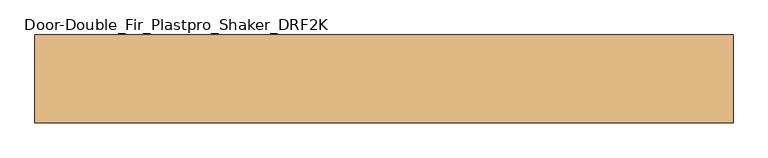
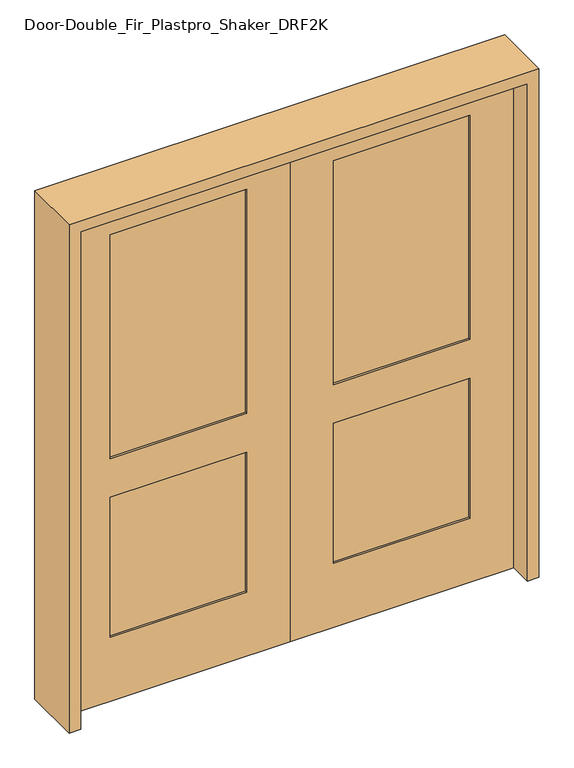
"""IFC4 building model written with IfcOpenShell, lengths in millimetres: door geometry, Door-Double_Fir_Plastpro_Shaker_DRF2K."""

import ifcopenshell
import ifcopenshell.guid

model = None  # the IFC model being written
_history = None  # IfcOwnerHistory: only IFC2X3 demands one
_inside = {}  # id of a spatial element -> (the spatial element, [elements in it])
_under = {}  # id of a project, library or spatial element -> (it, [spatial elements below it])
_declared = {}  # id of a project -> (the project, [libraries it declares])
_typed = {}  # id of a type object -> (the type object, [elements of that type])
_made_of = {}  # id of a material, layer set ... -> (it, [elements and type objects made of it])


def new_model(schema):
    """Start an empty IFC model of exactly this schema.

    Asked for "IFC4X3", IfcOpenShell would pick the latest addendum, in which some entities
    have other attributes; the version numbers below select the first issue.
    IFC2X3 requires an IfcOwnerHistory on every rooted entity: one is made here for all.
    """
    global model, _history
    if schema == "IFC4X3":
        model = ifcopenshell.file(schema_version=(4, 3, 0, 0))
    else:
        model = ifcopenshell.file(schema=schema)
    _inside.clear()
    _under.clear()
    _declared.clear()
    _typed.clear()
    _made_of.clear()
    _history = None
    if model.schema == "IFC2X3":
        org = make("IfcOrganization", Name="unknown")
        user = make(
            "IfcPersonAndOrganization",
            ThePerson=make("IfcPerson", FamilyName="unknown"),
            TheOrganization=org,
        )
        app = make(
            "IfcApplication",
            ApplicationDeveloper=org,
            Version="unknown",
            ApplicationFullName="unknown",
            ApplicationIdentifier="unknown",
        )
        _history = make(
            "IfcOwnerHistory",
            OwningUser=user,
            OwningApplication=app,
            ChangeAction="ADDED",
            CreationDate=0,
        )
    return model


def make(cls, **values):
    """One entity of the class cls with the attributes given. An attribute that is None is left unset."""
    return model.create_entity(
        cls, **{name: value for name, value in values.items() if value is not None}
    )


def rooted(cls, **values):
    """An entity with a GlobalId (a new one), such as an element, a storey or a relation."""
    return make(cls, GlobalId=ifcopenshell.guid.new(), OwnerHistory=_history, **values)


def si_unit(unit_type, name, prefix=None):
    """IfcSIUnit, for example si_unit("LENGTHUNIT", "METRE", prefix="MILLI")."""
    return make("IfcSIUnit", UnitType=unit_type, Prefix=prefix, Name=name)


def assignment(units):
    """IfcUnitAssignment: the units of a project."""
    return None if units is None else make("IfcUnitAssignment", Units=units)


def point(xyz):
    """IfcCartesianPoint."""
    return None if xyz is None else make("IfcCartesianPoint", Coordinates=xyz)


def direction(xyz):
    """IfcDirection."""
    return None if xyz is None else make("IfcDirection", DirectionRatios=xyz)


def frame(location, z_axis=None, x_axis=None):
    """IfcAxis2Placement3D, a coordinate frame: its origin and axes. An axis left out is left unset."""
    return make(
        "IfcAxis2Placement3D",
        Location=point(location),
        Axis=direction(z_axis),
        RefDirection=direction(x_axis),
    )


def origin():
    """The frame at (0, 0, 0) with its axes left unset."""
    return frame((0.0, 0.0, 0.0))


def place(relative_to, where):
    """IfcLocalPlacement: puts the frame where relative to a parent placement (None: the world)."""
    return make(
        "IfcLocalPlacement", PlacementRelTo=relative_to, RelativePlacement=where
    )


def context(
    kind, dimensions, precision=None, world=None, true_north=None, identifier=None
):
    """IfcGeometricRepresentationContext, for example the 3D "Model" context."""
    return make(
        "IfcGeometricRepresentationContext",
        ContextIdentifier=identifier,
        ContextType=kind,
        CoordinateSpaceDimension=dimensions,
        Precision=precision,
        WorldCoordinateSystem=world,
        TrueNorth=true_north,
    )


def project(units=None, contexts=None):
    """IfcProject with its units and contexts."""
    return rooted(
        "IfcProject",
        Name="project",
        RepresentationContexts=contexts,
        UnitsInContext=assignment(units),
    )


def spatial(cls, under=None, at=None, **own):
    """A site, building, storey or space (cls), placed at a placement, below another one or the project."""
    s = rooted(cls, ObjectPlacement=at, **own)
    if under is not None:
        _under.setdefault(under.id(), (under, []))[1].append(s)
    return s


def polyline(points):
    """IfcPolyline through the points."""
    return make("IfcPolyline", Points=[point(p) for p in points])


def outline(outer, holes=None, kind="AREA"):
    """IfcArbitraryClosedProfileDef: a profile drawn as a closed curve; with holes, ...WithVoids."""
    if holes is None:
        return make("IfcArbitraryClosedProfileDef", ProfileType=kind, OuterCurve=outer)
    return make(
        "IfcArbitraryProfileDefWithVoids",
        ProfileType=kind,
        OuterCurve=outer,
        InnerCurves=holes,
    )


def extrude(swept, where, along, depth):
    """IfcExtrudedAreaSolid: the profile swept, set in the frame where, extruded along a direction by depth."""
    return make(
        "IfcExtrudedAreaSolid",
        SweptArea=swept,
        Position=where,
        ExtrudedDirection=direction(along),
        Depth=depth,
    )


def shape(context_of_items, identifier, shape_type, items):
    """IfcShapeRepresentation: the items that make up one representation, for example the "Body"."""
    return make(
        "IfcShapeRepresentation",
        ContextOfItems=context_of_items,
        RepresentationIdentifier=identifier,
        RepresentationType=shape_type,
        Items=items,
    )


def source(mapping_origin, context_of_items, identifier, shape_type, items):
    """IfcRepresentationMap: a shape defined once, which mapped items show again and again."""
    return make(
        "IfcRepresentationMap",
        MappingOrigin=mapping_origin,
        MappedRepresentation=shape(context_of_items, identifier, shape_type, items),
    )


def transform(
    local_origin,
    x_axis=None,
    y_axis=None,
    z_axis=None,
    scale=None,
    scale2=None,
    scale3=None,
    uniform=True,
):
    """IfcCartesianTransformationOperator3D, or its non-uniform kind. x_axis, y_axis, z_axis: its Axis1, 2, 3."""
    if uniform:
        return make(
            "IfcCartesianTransformationOperator3D",
            Axis1=direction(x_axis),
            Axis2=direction(y_axis),
            LocalOrigin=point(local_origin),
            Scale=scale,
            Axis3=direction(z_axis),
        )
    return make(
        "IfcCartesianTransformationOperator3DnonUniform",
        Axis1=direction(x_axis),
        Axis2=direction(y_axis),
        LocalOrigin=point(local_origin),
        Scale=scale,
        Axis3=direction(z_axis),
        Scale2=scale2,
        Scale3=scale3,
    )


def mapped(mapping_source, mapping_target):
    """IfcMappedItem: shows the shape of a source again, moved by a transform."""
    return make(
        "IfcMappedItem", MappingSource=mapping_source, MappingTarget=mapping_target
    )


def made_of(thing, what):
    """Note that an element or type object is made of a material, layer set ...; save() writes the relation."""
    if what is not None:
        _made_of.setdefault(what.id(), (what, []))[1].append(thing)
    return thing


def element(
    cls,
    number,
    at=None,
    inside=None,
    cuts=None,
    type_object=None,
    material=None,
    context=None,
    identifier="Body",
    shape_type=None,
    held_by="IfcProductDefinitionShape",
    body=None,
    shapes=None,
    **own,
):
    """One element of the class cls, such as IfcWall. Its Tag is "e" and its number.

    at: its placement. inside: the storey or other place that contains it. cuts: it is an
    opening in that element (IfcRelVoidsElement). A single representation is given by context,
    identifier, shape_type and body (its items); several are given by shapes. held_by: the class
    of the entity that holds the representations. save() writes the other relations.
    """
    e = rooted(cls, Tag="e%d" % number, ObjectPlacement=at, **own)
    if body is not None:
        shapes = [shape(context, identifier, shape_type, body)]
    if shapes is not None:
        e.Representation = make(held_by, Representations=shapes)
    if inside is not None:
        _inside.setdefault(inside.id(), (inside, []))[1].append(e)
    if cuts is not None:
        rooted(
            "IfcRelVoidsElement", RelatingBuildingElement=cuts, RelatedOpeningElement=e
        )
    if type_object is not None:
        _typed.setdefault(type_object.id(), (type_object, []))[1].append(e)
    return made_of(e, material)


def aggregate(whole, parts):
    """IfcRelAggregates: a whole, such as a stair, and the parts it consists of."""
    return rooted("IfcRelAggregates", RelatingObject=whole, RelatedObjects=parts)


def save(model, path):
    """Write the relations noted so far, then the file.

    IfcRelAggregates (storeys below a building ...), IfcRelContainedInSpatialStructure (elements
    in a storey), IfcRelDefinesByType, IfcRelAssociatesMaterial and IfcRelDeclares: one each for
    every whole, place, type object, material and project.
    """
    for whole, parts in _under.values():
        aggregate(whole, parts)
    for where, things in _inside.values():
        rooted(
            "IfcRelContainedInSpatialStructure",
            RelatedElements=things,
            RelatingStructure=where,
        )
    for kind, things in _typed.values():
        rooted("IfcRelDefinesByType", RelatedObjects=things, RelatingType=kind)
    for what, things in _made_of.values():
        rooted("IfcRelAssociatesMaterial", RelatedObjects=things, RelatingMaterial=what)
    for by, libraries in _declared.values():
        rooted("IfcRelDeclares", RelatingContext=by, RelatedDefinitions=libraries)
    model.write(path)


def door_double_fir_plastpro_shaker_drf2k_7c609d4a(model_context):
    return source(origin(), model_context, "Body", "SweptSolid", [
        extrude(outline(polyline([(2032.0, 0.0), (2032.0, -863.6), (0.0, -863.6), (0.0, 0.0), (2032.0, 0.0)]), holes=[polyline([(831.85, -168.275), (260.35, -168.275), (260.35, -695.325), (831.85, -695.325), (831.85, -168.275)]), polyline([(1905.0, -695.325), (1905.0, -168.275), (990.6, -168.275), (990.6, -695.325), (1905.0, -695.325)])]), frame((0.0, -22.225, 0.0), z_axis=(0.0, 1.0, 0.0), x_axis=(0.0, 0.0, 1.0)), (0.0, 0.0, 1.0), 44.45),
        extrude(outline(polyline([(-695.325, 12.7), (-168.275, 12.7), (-168.275, -14.2875), (-695.325, -14.2875), (-695.325, 12.7)])), frame((0.0, 0.0, 260.35), z_axis=(0.0, 0.0, 1.0), x_axis=(1.0, 0.0, 0.0)), (0.0, 0.0, 1.0), 571.5),
        extrude(outline(polyline([(-695.325, 12.7), (-168.275, 12.7), (-168.275, -14.2875), (-695.325, -14.2875), (-695.325, 12.7)])), frame((0.0, 0.0, 990.6), z_axis=(0.0, 0.0, 1.0), x_axis=(1.0, 0.0, 0.0)), (0.0, 0.0, 1.0), 914.4),
        extrude(outline(polyline([(2032.0, 0.0), (0.0, 0.0), (0.0, 863.6), (2032.0, 863.6), (2032.0, 0.0)]), holes=[polyline([(1905.0, 695.325), (990.6, 695.325), (990.6, 168.275), (1905.0, 168.275), (1905.0, 695.325)]), polyline([(831.85, 168.275), (831.85, 695.325), (260.35, 695.325), (260.35, 168.275), (831.85, 168.275)])]), frame((0.0, -22.225, 0.0), z_axis=(0.0, 1.0, 0.0), x_axis=(0.0, 0.0, 1.0)), (0.0, 0.0, 1.0), 44.45),
        extrude(outline(polyline([(695.325, 12.7), (695.325, -14.2875), (168.275, -14.2875), (168.275, 12.7), (695.325, 12.7)])), frame((0.0, 0.0, 990.6), z_axis=(0.0, 0.0, 1.0), x_axis=(1.0, 0.0, 0.0)), (0.0, 0.0, 1.0), 914.4),
        extrude(outline(polyline([(695.325, 12.7), (695.325, -14.2875), (168.275, -14.2875), (168.275, 12.7), (695.325, 12.7)])), frame((0.0, 0.0, 260.35), z_axis=(0.0, 0.0, 1.0), x_axis=(1.0, 0.0, 0.0)), (0.0, 0.0, 1.0), 571.5),
        extrude(outline(polyline([(0.0, -908.05), (0.0, -863.6), (2032.0, -863.6), (2032.0, 863.6), (0.0, 863.6), (0.0, 908.05), (2076.45, 908.05), (2076.45, -908.05), (0.0, -908.05)])), frame((0.0, -114.3, 0.0), z_axis=(0.0, 1.0, 0.0), x_axis=(0.0, 0.0, 1.0)), (0.0, 0.0, 1.0), 228.6),
    ])


if __name__ == "__main__":
    model = new_model("IFC4")
    model_context = context("Model", 3, world=origin())
    ifc_project = project(units=[si_unit("LENGTHUNIT", "METRE", prefix="MILLI")], contexts=[model_context])
    site = spatial("IfcSite", under=ifc_project)
    building = spatial("IfcBuilding", under=site)
    placement = place(None, origin())
    door_double_fir_plastpro_shaker_drf2k_shape = door_double_fir_plastpro_shaker_drf2k_7c609d4a(model_context)
    element("IfcDoor", 1, ObjectType="Door-Double_Fir_Plastpro_Shaker_DRF2K", at=placement, inside=building, context=model_context, shape_type="MappedRepresentation", body=[
        mapped(door_double_fir_plastpro_shaker_drf2k_shape, transform((0.0, 0.0, 0.0), x_axis=(1.0, 0.0, 0.0), y_axis=(0.0, 1.0, 0.0), z_axis=(0.0, 0.0, 1.0))),
    ])
    save(model, "model.ifc")
